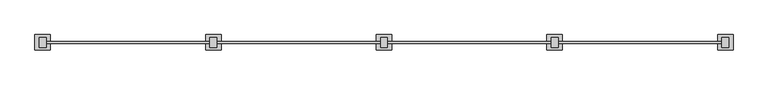
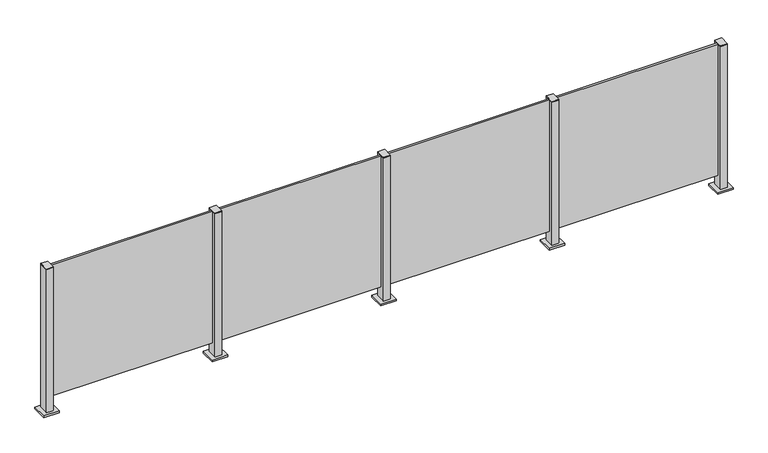
"""IFC4 building model written with IfcOpenShell, lengths in millimetres: railing geometry."""

from ifc_helpers import new_model, si_unit, frame, origin, origin_with_axes, place, context, project, spatial, polyline, outline, extrude, source, transform, mapped, element, save


def railing_c20cd367(model_context):
    return source(origin(), model_context, "Body", "SweptSolid", [
        extrude(outline(polyline([(39310.0, 7.5598727), (40390.0, 7.5598727), (40390.0, -5.6401273), (39310.0, -5.6401273), (39310.0, 7.5598727)])), frame((0.0, 0.0, 95.0), z_axis=(0.0, 0.0, 1.0), x_axis=(1.0, 0.0, 0.0)), (0.0, 0.0, 1.0), 905.0),
        extrude(outline(polyline([(39322.5, -32.3153172), (39277.5, -32.3153172), (39277.5, 32.6846828), (39322.5, 32.6846828), (39322.5, -32.3153172)])), frame((0.0, 0.0, 1000.0), z_axis=(0.0, 0.0, 1.0), x_axis=(1.0, 0.0, 0.0)), (0.0, 0.0, 1.0), 5.0),
        extrude(outline(polyline([(39350.0, -49.8153172), (39250.0, -49.8153172), (39250.0, 50.1846828), (39350.0, 50.1846828), (39350.0, -49.8153172)])), origin_with_axes(), (0.0, 0.0, 1.0), 12.0),
        extrude(outline(polyline([(39322.5, -32.3153172), (39277.5, -32.3153172), (39277.5, 32.6846828), (39322.5, 32.6846828), (39322.5, -32.3153172)])), frame((0.0, 0.0, 12.0), z_axis=(0.0, 0.0, 1.0), x_axis=(1.0, 0.0, 0.0)), (0.0, 0.0, 1.0), 988.0),
        extrude(outline(polyline([(38210.0, 7.5598727), (39290.0, 7.5598727), (39290.0, -5.6401273), (38210.0, -5.6401273), (38210.0, 7.5598727)])), frame((0.0, 0.0, 95.0), z_axis=(0.0, 0.0, 1.0), x_axis=(1.0, 0.0, 0.0)), (0.0, 0.0, 1.0), 905.0),
        extrude(outline(polyline([(38222.5, -32.3153172), (38177.5, -32.3153172), (38177.5, 32.6846828), (38222.5, 32.6846828), (38222.5, -32.3153172)])), frame((0.0, 0.0, 1000.0), z_axis=(0.0, 0.0, 1.0), x_axis=(1.0, 0.0, 0.0)), (0.0, 0.0, 1.0), 5.0),
        extrude(outline(polyline([(38250.0, -49.8153172), (38150.0, -49.8153172), (38150.0, 50.1846828), (38250.0, 50.1846828), (38250.0, -49.8153172)])), origin_with_axes(), (0.0, 0.0, 1.0), 12.0),
        extrude(outline(polyline([(38222.5, -32.3153172), (38177.5, -32.3153172), (38177.5, 32.6846828), (38222.5, 32.6846828), (38222.5, -32.3153172)])), frame((0.0, 0.0, 12.0), z_axis=(0.0, 0.0, 1.0), x_axis=(1.0, 0.0, 0.0)), (0.0, 0.0, 1.0), 988.0),
        extrude(outline(polyline([(37110.0, 7.5598727), (38190.0, 7.5598727), (38190.0, -5.6401273), (37110.0, -5.6401273), (37110.0, 7.5598727)])), frame((0.0, 0.0, 95.0), z_axis=(0.0, 0.0, 1.0), x_axis=(1.0, 0.0, 0.0)), (0.0, 0.0, 1.0), 905.0),
        extrude(outline(polyline([(37122.5, -32.3153172), (37077.5, -32.3153172), (37077.5, 32.6846828), (37122.5, 32.6846828), (37122.5, -32.3153172)])), frame((0.0, 0.0, 1000.0), z_axis=(0.0, 0.0, 1.0), x_axis=(1.0, 0.0, 0.0)), (0.0, 0.0, 1.0), 5.0),
        extrude(outline(polyline([(37150.0, -49.8153172), (37050.0, -49.8153172), (37050.0, 50.1846828), (37150.0, 50.1846828), (37150.0, -49.8153172)])), origin_with_axes(), (0.0, 0.0, 1.0), 12.0),
        extrude(outline(polyline([(37122.5, -32.3153172), (37077.5, -32.3153172), (37077.5, 32.6846828), (37122.5, 32.6846828), (37122.5, -32.3153172)])), frame((0.0, 0.0, 12.0), z_axis=(0.0, 0.0, 1.0), x_axis=(1.0, 0.0, 0.0)), (0.0, 0.0, 1.0), 988.0),
        extrude(outline(polyline([(36010.0, 7.5598727), (37090.0, 7.5598727), (37090.0, -5.6401273), (36010.0, -5.6401273), (36010.0, 7.5598727)])), frame((0.0, 0.0, 95.0), z_axis=(0.0, 0.0, 1.0), x_axis=(1.0, 0.0, 0.0)), (0.0, 0.0, 1.0), 905.0),
        extrude(outline(polyline([(40422.5, -32.3153172), (40377.5, -32.3153172), (40377.5, 32.6846828), (40422.5, 32.6846828), (40422.5, -32.3153172)])), frame((0.0, 0.0, 1000.0), z_axis=(0.0, 0.0, 1.0), x_axis=(1.0, 0.0, 0.0)), (0.0, 0.0, 1.0), 5.0),
        extrude(outline(polyline([(40450.0, -49.8153172), (40350.0, -49.8153172), (40350.0, 50.1846828), (40450.0, 50.1846828), (40450.0, -49.8153172)])), origin_with_axes(), (0.0, 0.0, 1.0), 12.0),
        extrude(outline(polyline([(40422.5, -32.3153172), (40377.5, -32.3153172), (40377.5, 32.6846828), (40422.5, 32.6846828), (40422.5, -32.3153172)])), frame((0.0, 0.0, 12.0), z_axis=(0.0, 0.0, 1.0), x_axis=(1.0, 0.0, 0.0)), (0.0, 0.0, 1.0), 988.0),
        extrude(outline(polyline([(36022.5, -32.3153172), (35977.5, -32.3153172), (35977.5, 32.6846828), (36022.5, 32.6846828), (36022.5, -32.3153172)])), frame((0.0, 0.0, 1000.0), z_axis=(0.0, 0.0, 1.0), x_axis=(1.0, 0.0, 0.0)), (0.0, 0.0, 1.0), 5.0),
        extrude(outline(polyline([(36050.0, -49.8153172), (35950.0, -49.8153172), (35950.0, 50.1846828), (36050.0, 50.1846828), (36050.0, -49.8153172)])), origin_with_axes(), (0.0, 0.0, 1.0), 12.0),
        extrude(outline(polyline([(36022.5, -32.3153172), (35977.5, -32.3153172), (35977.5, 32.6846828), (36022.5, 32.6846828), (36022.5, -32.3153172)])), frame((0.0, 0.0, 12.0), z_axis=(0.0, 0.0, 1.0), x_axis=(1.0, 0.0, 0.0)), (0.0, 0.0, 1.0), 988.0),
    ])


if __name__ == "__main__":
    model = new_model("IFC4")
    model_context = context("Model", 3, world=origin())
    ifc_project = project(units=[si_unit("LENGTHUNIT", "METRE", prefix="MILLI")], contexts=[model_context])
    site = spatial("IfcSite", under=ifc_project)
    building = spatial("IfcBuilding", under=site)
    placement = place(None, origin())
    railing_shape = railing_c20cd367(model_context)
    element("IfcRailing", 1, at=placement, inside=building, context=model_context, shape_type="MappedRepresentation", body=[
        mapped(railing_shape, transform((0.0, 0.0, 0.0), x_axis=(1.0, 0.0, 0.0), y_axis=(0.0, 1.0, 0.0), z_axis=(0.0, 0.0, 1.0))),
    ])
    save(model, "model.ifc")
